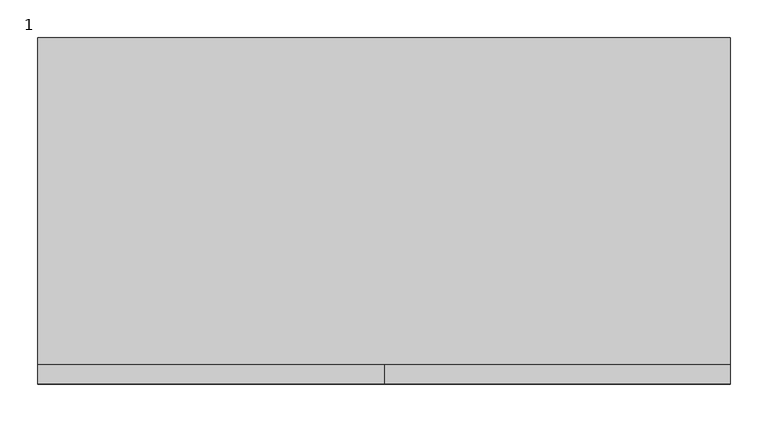
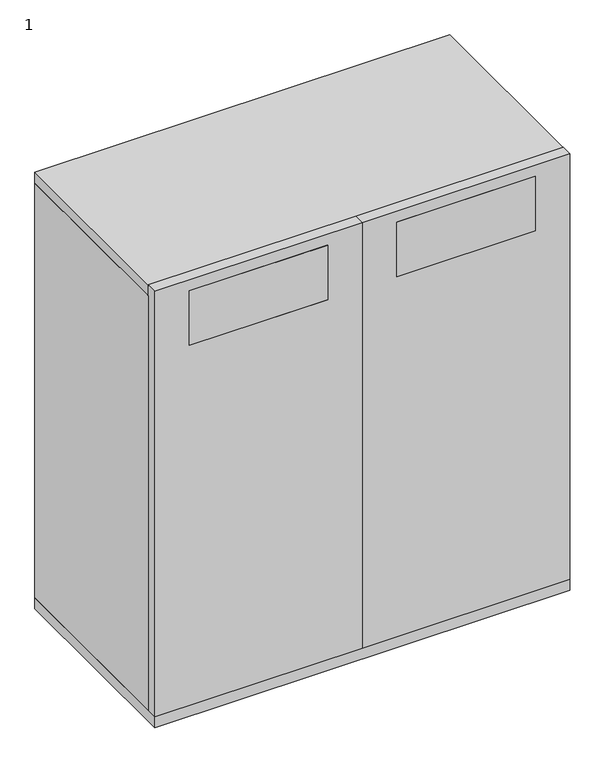
"""IFC4 building model written with IfcOpenShell, lengths in millimetres: furniture geometry, 1."""

from ifc_helpers import new_model, si_unit, point, frame, frame_2d, origin, origin_with_axes, place, context, project, spatial, polyline, circle_curve, trimmed, segment, composite_curve, outline, extrude, source, transform, mapped, element, save


def furniture_1_e52893c9(model_context):
    return source(origin(), model_context, "Body", "SweptSolid", [
        extrude(outline(polyline([(838.2, -457.2), (533.4, -457.2), (533.4, -431.8), (838.2, -431.8), (838.2, -457.2)])), frame((0.0, 0.0, 876.3), z_axis=(0.0, 0.0, 1.0), x_axis=(1.0, 0.0, 0.0)), (0.0, 0.0, 1.0), 127.0),
        extrude(outline(polyline([(381.0, -457.2), (76.2, -457.2), (76.2, -431.8), (381.0, -431.8), (381.0, -457.2)])), frame((0.0, 0.0, 876.3), z_axis=(0.0, 0.0, 1.0), x_axis=(1.0, 0.0, 0.0)), (0.0, 0.0, 1.0), 127.0),
        extrude(outline(polyline([(889.0, 0.0), (889.0, -6.35), (25.4, -6.35), (25.4, 0.0), (889.0, 0.0)])), frame((0.0, 0.0, 38.1), z_axis=(0.0, 0.0, 1.0), x_axis=(1.0, 0.0, 0.0)), (0.0, 0.0, 1.0), 965.2),
        extrude(outline(polyline([(0.0, -431.8), (0.0, 0.0), (25.4, 0.0), (25.4, -431.8), (0.0, -431.8)])), frame((0.0, 0.0, 38.1), z_axis=(0.0, 0.0, 1.0), x_axis=(1.0, 0.0, 0.0)), (0.0, 0.0, 1.0), 965.2),
        extrude(outline(polyline([(914.4, -431.8), (889.0, -431.8), (889.0, 0.0), (914.4, 0.0), (914.4, -431.8)])), frame((0.0, 0.0, 38.1), z_axis=(0.0, 0.0, 1.0), x_axis=(1.0, 0.0, 0.0)), (0.0, 0.0, 1.0), 965.2),
        extrude(outline(polyline([(1028.7, 457.2), (1028.7, 0.0), (38.1, 0.0), (38.1, 457.2), (1028.7, 457.2)]), holes=[polyline([(1003.3, 76.2), (1003.3, 381.0), (876.3, 381.0), (876.3, 76.2), (1003.3, 76.2)])]), frame((0.0, -457.2, 0.0), z_axis=(0.0, 1.0, 0.0), x_axis=(0.0, 0.0, 1.0)), (0.0, 0.0, 1.0), 25.4),
        extrude(outline(polyline([(1028.7, 457.2), (38.1, 457.2), (38.1, 914.4), (1028.7, 914.4), (1028.7, 457.2)]), holes=[polyline([(1003.3, 838.2), (876.3, 838.2), (876.3, 533.4), (1003.3, 533.4), (1003.3, 838.2)])]), frame((0.0, -457.2, 0.0), z_axis=(0.0, 1.0, 0.0), x_axis=(0.0, 0.0, 1.0)), (0.0, 0.0, 1.0), 25.4),
        extrude(outline(polyline([(914.4, 0.0), (914.4, -434.6443623), (0.0, -434.6443623), (0.0, 0.0), (914.4, 0.0)])), frame((0.0, 0.0, 1003.3), z_axis=(0.0, 0.0, 1.0), x_axis=(1.0, 0.0, 0.0)), (0.0, 0.0, 1.0), 25.4),
        extrude(outline(polyline([(914.4, -457.2), (0.0, -457.2), (0.0, 0.0), (914.4, 0.0), (914.4, -457.2)])), frame((0.0, 0.0, 12.7), z_axis=(0.0, 0.0, 1.0), x_axis=(1.0, 0.0, 0.0)), (0.0, 0.0, 1.0), 25.4),
        extrude(outline(composite_curve([segment(trimmed(circle_curve(frame_2d((28.5450835, 863.6)), 0.9921875), [point((28.5450835, 864.5921875))], [point((28.5450835, 862.6078125))], False, "CARTESIAN"), True, "CONTINUOUS"), segment(trimmed(circle_curve(frame_2d((28.5450835, 863.6)), 0.9921875), [point((28.5450835, 862.6078125))], [point((28.5450835, 864.5921875))], False, "CARTESIAN"), True, "CONTINUOUS")], self_intersect=False)), frame((0.0, -432.9785671, 0.0), z_axis=(0.0, 1.0, 0.0), x_axis=(0.0, 0.0, 1.0)), (0.0, 0.0, 1.0), 53.0422756),
        extrude(outline(polyline([(12.7, 832.6896756), (11.7078125, 854.6518893), (11.7078125, 874.0068204), (12.7, 874.0068204), (12.7, 832.6896756)])), frame((0.0, -434.6443623, 0.0), z_axis=(0.0, 1.0, 0.0), x_axis=(0.0, 0.0, 1.0)), (0.0, 0.0, 1.0), 0.9921875),
        extrude(outline(composite_curve([segment(trimmed(circle_curve(frame_2d((28.5450835, 50.8)), 0.9921875), [point((28.5450835, 49.8078125))], [point((28.5450835, 51.7921875))], False, "CARTESIAN"), True, "CONTINUOUS"), segment(trimmed(circle_curve(frame_2d((28.5450835, 50.8)), 0.9921875), [point((28.5450835, 51.7921875))], [point((28.5450835, 49.8078125))], False, "CARTESIAN"), True, "CONTINUOUS")], self_intersect=False)), frame((0.0, -432.9785671, 0.0), z_axis=(0.0, 1.0, 0.0), x_axis=(0.0, 0.0, 1.0)), (0.0, 0.0, 1.0), 53.0422756),
        extrude(outline(polyline([(12.7, 81.7103244), (12.7, 40.3931796), (11.7078125, 40.3931796), (11.7078125, 59.7481107), (12.7, 81.7103244)])), frame((0.0, -434.6443623, 0.0), z_axis=(0.0, 1.0, 0.0), x_axis=(0.0, 0.0, 1.0)), (0.0, 0.0, 1.0), 0.9921875),
        extrude(outline(composite_curve([segment(trimmed(circle_curve(frame_2d((28.5450835, 863.6)), 0.9921875), [point((28.5450835, 864.5921875))], [point((28.5450835, 862.6078125))], False, "CARTESIAN"), True, "CONTINUOUS"), segment(trimmed(circle_curve(frame_2d((28.5450835, 863.6)), 0.9921875), [point((28.5450835, 862.6078125))], [point((28.5450835, 864.5921875))], False, "CARTESIAN"), True, "CONTINUOUS")], self_intersect=False)), frame((0.0, -77.2637085, 0.0), z_axis=(0.0, 1.0, 0.0), x_axis=(0.0, 0.0, 1.0)), (0.0, 0.0, 1.0), 53.0422756),
        extrude(outline(polyline([(12.7, 832.6896756), (11.7078125, 854.6518893), (11.7078125, 874.0068204), (12.7, 874.0068204), (12.7, 832.6896756)])), frame((0.0, -23.5478252, 0.0), z_axis=(0.0, 1.0, 0.0), x_axis=(0.0, 0.0, 1.0)), (0.0, 0.0, 1.0), 0.9921875),
        extrude(outline(composite_curve([segment(trimmed(circle_curve(frame_2d((28.5450835, 50.8)), 0.9921875), [point((28.5450835, 49.8078125))], [point((28.5450835, 51.7921875))], False, "CARTESIAN"), True, "CONTINUOUS"), segment(trimmed(circle_curve(frame_2d((28.5450835, 50.8)), 0.9921875), [point((28.5450835, 51.7921875))], [point((28.5450835, 49.8078125))], False, "CARTESIAN"), True, "CONTINUOUS")], self_intersect=False)), frame((0.0, -77.2637085, 0.0), z_axis=(0.0, 1.0, 0.0), x_axis=(0.0, 0.0, 1.0)), (0.0, 0.0, 1.0), 53.0422756),
        extrude(outline(polyline([(12.7, 81.7103244), (12.7, 40.3931796), (11.7078125, 40.3931796), (11.7078125, 59.7481107), (12.7, 81.7103244)])), frame((0.0, -23.5478252, 0.0), z_axis=(0.0, 1.0, 0.0), x_axis=(0.0, 0.0, 1.0)), (0.0, 0.0, 1.0), 0.9921875),
        extrude(outline(composite_curve([segment(trimmed(circle_curve(frame_2d((850.9, -406.4)), 15.9254799), [point((866.8254799, -406.4))], [point((834.9745201, -406.4))], False, "CARTESIAN"), True, "CONTINUOUS"), segment(trimmed(circle_curve(frame_2d((850.9, -406.4)), 15.9254799), [point((834.9745201, -406.4))], [point((866.8254799, -406.4))], False, "CARTESIAN"), True, "CONTINUOUS")], self_intersect=False)), origin_with_axes(), (0.0, 0.0, 1.0), 7.9375),
        extrude(outline(composite_curve([segment(trimmed(circle_curve(frame_2d((850.9, -406.4)), 10.16), [point((861.06, -406.4))], [point((840.74, -406.4))], False, "CARTESIAN"), True, "CONTINUOUS"), segment(trimmed(circle_curve(frame_2d((850.9, -406.4)), 10.16), [point((840.74, -406.4))], [point((861.06, -406.4))], False, "CARTESIAN"), True, "CONTINUOUS")], self_intersect=False)), frame((0.0, 0.0, 7.9375), z_axis=(0.0, 0.0, 1.0), x_axis=(1.0, 0.0, 0.0)), (0.0, 0.0, 1.0), 4.7625),
        extrude(outline(composite_curve([segment(trimmed(circle_curve(frame_2d((850.9, -50.8)), 15.9254799), [point((866.8254799, -50.8))], [point((834.9745201, -50.8))], False, "CARTESIAN"), True, "CONTINUOUS"), segment(trimmed(circle_curve(frame_2d((850.9, -50.8)), 15.9254799), [point((834.9745201, -50.8))], [point((866.8254799, -50.8))], False, "CARTESIAN"), True, "CONTINUOUS")], self_intersect=False)), origin_with_axes(), (0.0, 0.0, 1.0), 7.9375),
        extrude(outline(composite_curve([segment(trimmed(circle_curve(frame_2d((850.9, -50.8)), 10.16), [point((861.06, -50.8))], [point((840.74, -50.8))], False, "CARTESIAN"), True, "CONTINUOUS"), segment(trimmed(circle_curve(frame_2d((850.9, -50.8)), 10.16), [point((840.74, -50.8))], [point((861.06, -50.8))], False, "CARTESIAN"), True, "CONTINUOUS")], self_intersect=False)), frame((0.0, 0.0, 7.9375), z_axis=(0.0, 0.0, 1.0), x_axis=(1.0, 0.0, 0.0)), (0.0, 0.0, 1.0), 4.7625),
        extrude(outline(composite_curve([segment(trimmed(circle_curve(frame_2d((63.5, -406.4)), 15.9254799), [point((47.5745201, -406.4))], [point((79.4254799, -406.4))], False, "CARTESIAN"), True, "CONTINUOUS"), segment(trimmed(circle_curve(frame_2d((63.5, -406.4)), 15.9254799), [point((79.4254799, -406.4))], [point((47.5745201, -406.4))], False, "CARTESIAN"), True, "CONTINUOUS")], self_intersect=False)), origin_with_axes(), (0.0, 0.0, 1.0), 7.9375),
        extrude(outline(composite_curve([segment(trimmed(circle_curve(frame_2d((63.5, -406.4)), 10.16), [point((53.34, -406.4))], [point((73.66, -406.4))], False, "CARTESIAN"), True, "CONTINUOUS"), segment(trimmed(circle_curve(frame_2d((63.5, -406.4)), 10.16), [point((73.66, -406.4))], [point((53.34, -406.4))], False, "CARTESIAN"), True, "CONTINUOUS")], self_intersect=False)), frame((0.0, 0.0, 7.9375), z_axis=(0.0, 0.0, 1.0), x_axis=(1.0, 0.0, 0.0)), (0.0, 0.0, 1.0), 4.7625),
        extrude(outline(composite_curve([segment(trimmed(circle_curve(frame_2d((63.5, -50.8)), 15.9254799), [point((47.5745201, -50.8))], [point((79.4254799, -50.8))], False, "CARTESIAN"), True, "CONTINUOUS"), segment(trimmed(circle_curve(frame_2d((63.5, -50.8)), 15.9254799), [point((79.4254799, -50.8))], [point((47.5745201, -50.8))], False, "CARTESIAN"), True, "CONTINUOUS")], self_intersect=False)), origin_with_axes(), (0.0, 0.0, 1.0), 7.9375),
        extrude(outline(composite_curve([segment(trimmed(circle_curve(frame_2d((63.5, -50.8)), 10.16), [point((53.34, -50.8))], [point((73.66, -50.8))], False, "CARTESIAN"), True, "CONTINUOUS"), segment(trimmed(circle_curve(frame_2d((63.5, -50.8)), 10.16), [point((73.66, -50.8))], [point((53.34, -50.8))], False, "CARTESIAN"), True, "CONTINUOUS")], self_intersect=False)), frame((0.0, 0.0, 7.9375), z_axis=(0.0, 0.0, 1.0), x_axis=(1.0, 0.0, 0.0)), (0.0, 0.0, 1.0), 4.7625),
    ])


if __name__ == "__main__":
    model = new_model("IFC4")
    model_context = context("Model", 3, world=origin())
    ifc_project = project(units=[si_unit("LENGTHUNIT", "METRE", prefix="MILLI")], contexts=[model_context])
    site = spatial("IfcSite", under=ifc_project)
    building = spatial("IfcBuilding", under=site)
    placement = place(None, origin())
    furniture_1_shape = furniture_1_e52893c9(model_context)
    element("IfcFurniture", 1, ObjectType="1", at=placement, inside=building, context=model_context, shape_type="MappedRepresentation", body=[
        mapped(furniture_1_shape, transform((0.0, 0.0, 0.0), x_axis=(1.0, 0.0, 0.0), y_axis=(0.0, 1.0, 0.0), z_axis=(0.0, 0.0, 1.0))),
    ])
    save(model, "model.ifc")
